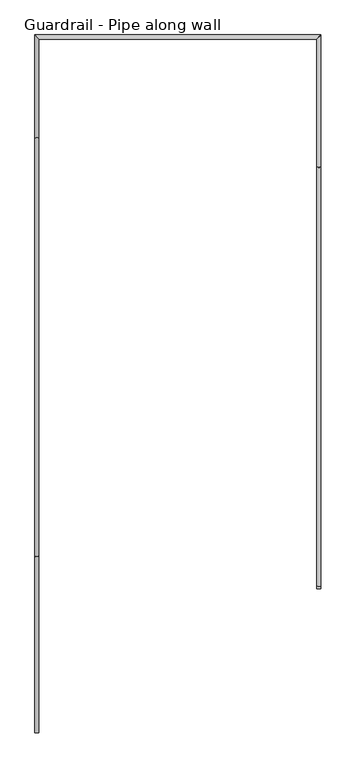
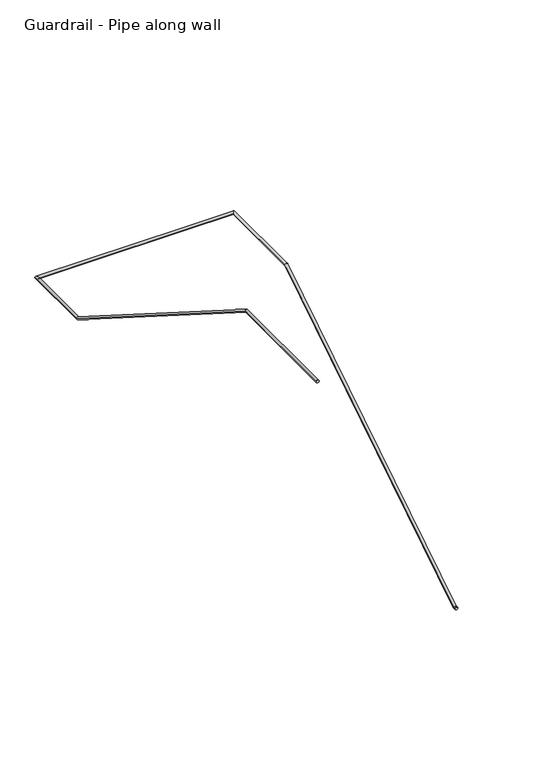
"""IFC4 building model written with IfcOpenShell, lengths in millimetres: railing geometry, Guardrail - Pipe along wall."""

from ifc_helpers import new_model, si_unit, frame, origin, place, context, project, spatial, circle_curve, ellipse_curve, source, transform, mapped, element, save
from ifc_brep_helpers import plane_surface, cylinder_surface, advanced_brep


def guardrail_pipe_along_wall_b5c554ca(model_context):
    return source(origin(), model_context, "Body", "AdvancedBrep", [
        advanced_brep(
        [(308412.1957983, -254782.6854408, 742.95), (308374.0957983, -254782.6854408, 742.95), (308374.0957983, -250871.0854408, 3218.9796296), (308412.1957983, -250871.0854408, 3218.9796296), (308374.0957983, -249676.4580223, 3218.9796296), (308412.1957983, -249638.3580223, 3218.9796296), (305779.2754676, -249676.4580223, 3218.9796296), (305741.1754676, -249638.3580223, 3218.9796296), (305779.2754676, -250602.7306038, 3218.9796296), (305741.1754676, -250602.7306038, 3218.9796296), (305779.2754676, -254514.3306038, 5695.0092593), (305741.1754676, -254514.3306038, 5695.0092593), (305779.2754676, -256159.8080223, 5695.0092593), (305741.1754676, -256159.8080223, 5695.0092593), (308374.0957983, -254813.6080223, 742.95), (308412.1957983, -254813.6080223, 742.95)],
        [
            (0, 1, ellipse_curve(frame((308393.1457983, -254782.6854408, 742.95), z_axis=(0.0, 0.9604550090529086, 0.27843522691135364), x_axis=(0.0, 0.278435226911353, -0.9604550090529088)), 19.8343492, 19.05)),
            (1, 2),
            (2, 3, ellipse_curve(frame((308393.1457983, -250871.0854408, 3218.9796296), z_axis=(0.0, -0.9604550090529086, -0.2784352269113537), x_axis=(0.0, 0.27843522691135303, -0.9604550090529088)), 19.8343492, 19.05)),
            (3, 0),
            (1, 0, ellipse_curve(frame((308393.1457983, -254782.6854408, 742.95), z_axis=(0.0, 0.9604550090529086, 0.27843522691135364), x_axis=(0.0, 0.278435226911353, -0.9604550090529088)), 19.8343492, 19.05)),
            (3, 2, ellipse_curve(frame((308393.1457983, -250871.0854408, 3218.9796296), z_axis=(0.0, -0.9604550090529086, -0.2784352269113537), x_axis=(0.0, 0.27843522691135303, -0.9604550090529088)), 19.8343492, 19.05)),
            (2, 4),
            (4, 5, ellipse_curve(frame((308393.1457983, -249657.4080223, 3218.9796296), z_axis=(0.7071067811865475, -0.7071067811865475, 0.0), x_axis=(-0.7071067811865474, -0.7071067811865476, 0.0)), 26.9407684, 19.05)),
            (5, 3),
            (5, 4, ellipse_curve(frame((308393.1457983, -249657.4080223, 3218.9796296), z_axis=(0.7071067811865475, -0.7071067811865475, 0.0), x_axis=(-0.7071067811865474, -0.7071067811865476, 0.0)), 26.9407684, 19.05)),
            (4, 6),
            (6, 7, ellipse_curve(frame((305760.2254676, -249657.4080223, 3218.9796296), z_axis=(0.7071067811865475, 0.7071067811865475, 0.0), x_axis=(0.7071067811865476, -0.7071067811865474, 0.0)), 26.9407684, 19.05)),
            (7, 5),
            (7, 6, ellipse_curve(frame((305760.2254676, -249657.4080223, 3218.9796296), z_axis=(0.7071067811865475, 0.7071067811865475, 0.0), x_axis=(0.7071067811865476, -0.7071067811865474, 0.0)), 26.9407684, 19.05)),
            (6, 8),
            (8, 9, ellipse_curve(frame((305760.2254676, -250602.7306039, 3218.9796296), z_axis=(0.0, 0.9604550090529084, -0.27843522691135497), x_axis=(0.0, 0.27843522691135497, 0.9604550090529085)), 19.8343492, 19.05)),
            (9, 7),
            (9, 8, ellipse_curve(frame((305760.2254676, -250602.7306039, 3218.9796296), z_axis=(0.0, 0.9604550090529084, -0.27843522691135497), x_axis=(0.0, 0.27843522691135497, 0.9604550090529085)), 19.8343492, 19.05)),
            (8, 10),
            (10, 11, ellipse_curve(frame((305760.2254676, -254514.3306038, 5695.0092593), z_axis=(0.0, 0.9604550090529084, -0.2784352269113549), x_axis=(0.0, -0.27843522691135497, -0.9604550090529085)), 19.8343492, 19.05)),
            (11, 9),
            (11, 10, ellipse_curve(frame((305760.2254676, -254514.3306038, 5695.0092593), z_axis=(0.0, 0.9604550090529084, -0.2784352269113549), x_axis=(0.0, -0.27843522691135497, -0.9604550090529085)), 19.8343492, 19.05)),
            (12, 13, circle_curve(frame((305760.2254676, -256159.8080223, 5695.0092593), z_axis=(0.0, -1.0, 0.0), x_axis=(-1.0, 0.0, 0.0)), 19.05)),
            (13, 12, circle_curve(frame((305760.2254676, -256159.8080223, 5695.0092593), z_axis=(0.0, -1.0, 0.0), x_axis=(-1.0, 0.0, 0.0)), 19.05)),
            (10, 12),
            (13, 11),
            (14, 15, circle_curve(frame((308393.1457983, -254813.6080223, 742.95), z_axis=(0.0, -1.0, 0.0), x_axis=(1.0, 0.0, 0.0)), 19.05)),
            (15, 14, circle_curve(frame((308393.1457983, -254813.6080223, 742.95), z_axis=(0.0, -1.0, 0.0), x_axis=(1.0, 0.0, 0.0)), 19.05)),
            (14, 1),
            (0, 15),
        ],
        [
            cylinder_surface(frame((308393.1457983, -254778.0191486, 745.9037473), z_axis=(0.0, -0.844947648829646, -0.5348490167675858), x_axis=(1.0, 0.0, 0.0)), 19.05),
            cylinder_surface(frame((308393.1457983, -250876.6080223, 3218.9796296), z_axis=(0.0, -1.0, 0.0), x_axis=(1.0, 0.0, 0.0)), 19.05),
            cylinder_surface(frame((308393.1457983, -249657.4080223, 3218.9796296), z_axis=(1.0, 0.0, 0.0), x_axis=(0.0, 1.0, 0.0)), 19.05),
            cylinder_surface(frame((305760.2254676, -249657.4080223, 3218.9796296), z_axis=(0.0, 1.0, 0.0), x_axis=(-1.0, 0.0, 0.0)), 19.05),
            cylinder_surface(frame((305760.2254676, -250607.3968961, 3221.9333769), z_axis=(0.0, 0.8449476488296446, -0.534849016767588), x_axis=(-1.0, 0.0, 0.0)), 19.05),
            plane_surface(frame((305760.2254676, -256159.8080223, 5714.0592593), z_axis=(0.0, -1.0, 0.0), x_axis=(0.0, 0.0, -1.0))),
            cylinder_surface(frame((305760.2254676, -254508.8080223, 5695.0092593), z_axis=(0.0, 1.0, 0.0), x_axis=(-1.0, 0.0, 0.0)), 19.05),
            plane_surface(frame((308393.1457983, -254813.6080223, 762.0), z_axis=(0.0, -1.0, 0.0), x_axis=(0.0, 0.0, 1.0))),
            cylinder_surface(frame((308393.1457983, -254813.6080223, 742.95), z_axis=(0.0, -1.0, 0.0), x_axis=(1.0, 0.0, 0.0)), 19.05),
        ],
        [
            (0, [[1, 2, 3, 4]]),
            (0, [[5, -4, 6, -2]]),
            (1, [[-3, 7, 8, 9]]),
            (1, [[-6, -9, 10, -7]]),
            (2, [[-8, 11, 12, 13]]),
            (2, [[-10, -13, 14, -11]]),
            (3, [[-12, 15, 16, 17]]),
            (3, [[-14, -17, 18, -15]]),
            (4, [[-16, 19, 20, 21]]),
            (4, [[-18, -21, 22, -19]]),
            (5, [[23, 24]]),
            (6, [[-20, 25, -24, 26]]),
            (6, [[-22, -26, -23, -25]]),
            (7, [[27, 28]]),
            (8, [[-27, 29, -1, 30]]),
            (8, [[-28, -30, -5, -29]]),
        ],
    ),
    ])


if __name__ == "__main__":
    model = new_model("IFC4")
    model_context = context("Model", 3, world=origin())
    ifc_project = project(units=[si_unit("LENGTHUNIT", "METRE", prefix="MILLI")], contexts=[model_context])
    site = spatial("IfcSite", under=ifc_project)
    building = spatial("IfcBuilding", under=site)
    placement = place(None, origin())
    guardrail_pipe_along_wall_shape = guardrail_pipe_along_wall_b5c554ca(model_context)
    element("IfcRailing", 1, ObjectType="Guardrail - Pipe along wall", at=placement, inside=building, context=model_context, shape_type="MappedRepresentation", body=[
        mapped(guardrail_pipe_along_wall_shape, transform((0.0, 0.0, 0.0), x_axis=(1.0, 0.0, 0.0), y_axis=(0.0, 1.0, 0.0), z_axis=(0.0, 0.0, 1.0))),
    ])
    save(model, "model.ifc")
